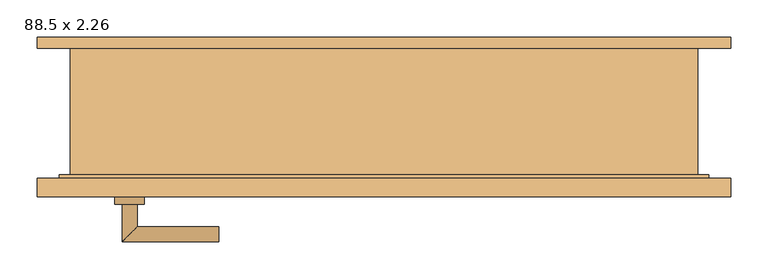
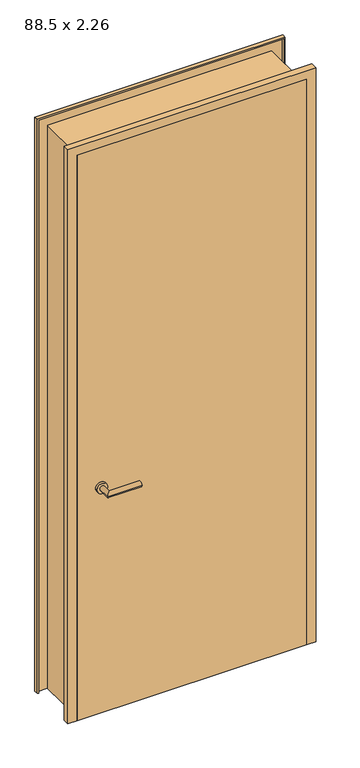
"""IFC4 building model written with IfcOpenShell, lengths in millimetres: door geometry, 88.5 x 2.26."""

from ifc_helpers import new_model, si_unit, point, frame, frame_2d, origin, origin_with_axes, place, context, project, spatial, polyline, circle_curve, ellipse_curve, trimmed, segment, composite_curve, outline, extrude, faceted_brep, source, transform, mapped, element, save
from ifc_brep_helpers import plane_surface, cylinder_surface, advanced_brep


def door_88_5_x_2_26_192bd5f8(model_context):
    return source(origin(), model_context, "Body", "SolidModel", [
        advanced_brep(
        [(-332.5, -91.9346141, 900.0), (-352.5, -91.9346141, 900.0), (-352.5, -41.9346141, 900.0), (-332.5, -61.9346141, 900.0), (-222.5, -61.9346141, 900.0), (-222.5, -41.9346141, 900.0)],
        [
            (0, 1, circle_curve(frame((-342.5, -91.9346141, 900.0), z_axis=(0.0, -1.0, 0.0), x_axis=(-1.0, 0.0, 0.0)), 10.0)),
            (1, 0, circle_curve(frame((-342.5, -91.9346141, 900.0), z_axis=(0.0, -1.0, 0.0), x_axis=(-1.0, 0.0, 0.0)), 10.0)),
            (1, 2),
            (2, 3, ellipse_curve(frame((-342.5, -51.9346141, 900.0), z_axis=(-0.7071067811865686, -0.7071067811865265, 0.0), x_axis=(0.7071067811865264, -0.7071067811865687, 0.0)), 14.1421356, 10.0)),
            (3, 0),
            (3, 2, ellipse_curve(frame((-342.5, -51.9346141, 900.0), z_axis=(-0.7071067811865686, -0.7071067811865265, 0.0), x_axis=(0.7071067811865264, -0.7071067811865687, 0.0)), 14.1421356, 10.0)),
            (4, 5, circle_curve(frame((-222.5, -51.9346141, 900.0), z_axis=(1.0, 0.0, 0.0), x_axis=(0.0, 1.0, 0.0)), 10.0)),
            (5, 4, circle_curve(frame((-222.5, -51.9346141, 900.0), z_axis=(1.0, 0.0, 0.0), x_axis=(0.0, 1.0, 0.0)), 10.0)),
            (2, 5),
            (4, 3),
        ],
        [
            plane_surface(frame((-342.5, -91.9346141, -387.7526403), z_axis=(0.0, -1.0, 0.0), x_axis=(0.0, 0.0, 1.0))),
            cylinder_surface(frame((-342.5, -91.9346141, 900.0), z_axis=(0.0, -1.0, 0.0), x_axis=(-1.0, 0.0, 0.0)), 10.0),
            plane_surface(frame((-222.5, -51.9346141, -387.7526403), z_axis=(1.0, 0.0, 0.0), x_axis=(0.0, 0.0, 1.0))),
            cylinder_surface(frame((-342.5, -51.9346141, 900.0), z_axis=(-1.0, 0.0, 0.0), x_axis=(0.0, 1.0, 0.0)), 10.0),
        ],
        [
            (0, [[1, 2]]),
            (1, [[3, 4, 5, -2]]),
            (1, [[-5, 6, -3, -1]]),
            (2, [[7, 8]]),
            (3, [[9, -7, 10, -4]]),
            (3, [[-10, -8, -9, -6]]),
        ],
    ),
        advanced_brep(
        [(-332.5, -136.9346141, 900.0), (-352.5, -136.9346141, 900.0), (-352.5, -186.9346141, 900.0), (-332.5, -166.9346141, 900.0), (-222.5, -166.9346141, 900.0), (-222.5, -186.9346141, 900.0)],
        [
            (0, 1, circle_curve(frame((-342.5, -136.9346141, 900.0), z_axis=(0.0, 1.0, 0.0), x_axis=(-1.0, 0.0, 0.0)), 10.0)),
            (1, 0, circle_curve(frame((-342.5, -136.9346141, 900.0), z_axis=(0.0, 1.0, 0.0), x_axis=(-1.0, 0.0, 0.0)), 10.0)),
            (1, 2),
            (2, 3, ellipse_curve(frame((-342.5, -176.9346141, 900.0), z_axis=(-0.7071067811865486, 0.7071067811865464, 0.0), x_axis=(0.7071067811865464, 0.7071067811865488, 0.0)), 14.1421356, 10.0)),
            (3, 0),
            (3, 2, ellipse_curve(frame((-342.5, -176.9346141, 900.0), z_axis=(-0.7071067811865486, 0.7071067811865464, 0.0), x_axis=(0.7071067811865464, 0.7071067811865488, 0.0)), 14.1421356, 10.0)),
            (4, 5, circle_curve(frame((-222.5, -176.9346141, 900.0), z_axis=(1.0, 0.0, 0.0), x_axis=(0.0, -1.0, 0.0)), 10.0)),
            (5, 4, circle_curve(frame((-222.5, -176.9346141, 900.0), z_axis=(1.0, 0.0, 0.0), x_axis=(0.0, -1.0, 0.0)), 10.0)),
            (2, 5),
            (4, 3),
        ],
        [
            plane_surface(frame((-342.5, -136.9346141, -387.7526403), z_axis=(0.0, 1.0, 0.0), x_axis=(0.0, 0.0, 1.0))),
            cylinder_surface(frame((-342.5, -136.9346141, 900.0), z_axis=(0.0, 1.0, 0.0), x_axis=(-1.0, 0.0, 0.0)), 10.0),
            plane_surface(frame((-222.5, -176.9346141, -387.7526403), z_axis=(1.0, 0.0, 0.0), x_axis=(0.0, 0.0, 1.0))),
            cylinder_surface(frame((-342.5, -176.9346141, 900.0), z_axis=(-1.0, 0.0, 0.0), x_axis=(0.0, -1.0, 0.0)), 10.0),
        ],
        [
            (0, [[1, 2]]),
            (1, [[3, 4, 5, -2]]),
            (1, [[-5, 6, -3, -1]]),
            (2, [[7, 8]]),
            (3, [[9, -7, 10, -4]]),
            (3, [[-10, -8, -9, -6]]),
        ],
    ),
        extrude(outline(composite_curve([segment(trimmed(circle_curve(frame_2d((900.0, -342.5)), 20.0), [point((900.0, -322.5))], [point((900.0, -362.5))], False, "CARTESIAN"), True, "CONTINUOUS"), segment(trimmed(circle_curve(frame_2d((900.0, -342.5)), 20.0), [point((900.0, -362.5))], [point((900.0, -322.5))], False, "CARTESIAN"), True, "CONTINUOUS")], self_intersect=False)), frame((0.0, -101.9346141, 0.0), z_axis=(0.0, 1.0, 0.0), x_axis=(0.0, 0.0, 1.0)), (0.0, 0.0, 1.0), 10.0),
        extrude(outline(composite_curve([segment(trimmed(circle_curve(frame_2d((900.0, -342.5)), 20.0), [point((900.0, -322.5))], [point((900.0, -362.5))], False, "CARTESIAN"), True, "CONTINUOUS"), segment(trimmed(circle_curve(frame_2d((900.0, -342.5)), 20.0), [point((900.0, -362.5))], [point((900.0, -322.5))], False, "CARTESIAN"), True, "CONTINUOUS")], self_intersect=False)), frame((0.0, -136.9346141, 0.0), z_axis=(0.0, 1.0, 0.0), x_axis=(0.0, 0.0, 1.0)), (0.0, 0.0, 1.0), 10.0),
        extrude(outline(polyline([(432.5, -101.9346141), (432.5, -126.9346141), (-432.5, -126.9346141), (-432.5, -101.9346141), (432.5, -101.9346141)])), origin_with_axes(), (0.0, 0.0, 1.0), 2250.0),
        faceted_brep([(466.9603207, 88.0653859, 0.0), (466.9603207, 73.0653859, 0.0), (461.9603207, 73.0653859, 0.0), (461.9603207, 83.0653859, 0.0), (422.5, 83.0653859, 0.0), (422.5, -96.9346141, 0.0), (437.5, -96.9346141, 0.0), (437.5, -121.9346141, 0.0), (461.9603207, -121.9346141, 0.0), (461.9603207, -101.9346141, 0.0), (466.9603207, -101.9346141, 0.0), (466.9603207, -126.9346141, 0.0), (432.5, -126.9346141, 0.0), (432.5, -101.9346141, 0.0), (417.5, -101.9346141, 0.0), (417.5, 88.0653859, 0.0), (417.5, 88.0653859, 2235.0), (-417.5, 88.0653859, 2235.0), (-417.5, 88.0653859, 0.0), (-466.9603207, 88.0653859, 0.0), (-466.9603207, 88.0653859, 2284.4603207), (466.9603207, 88.0653859, 2284.4603207), (417.5, -101.9346141, 2235.0), (432.5, -101.9346141, 2250.0), (-432.5, -101.9346141, 2250.0), (-432.5, -101.9346141, 0.0), (-417.5, -101.9346141, 0.0), (-417.5, -101.9346141, 2235.0), (432.5, -126.9346141, 2250.0), (466.9603207, -126.9346141, 2284.4603207), (-466.9603207, -126.9346141, 2284.4603207), (-466.9603207, -126.9346141, 0.0), (-432.5, -126.9346141, 0.0), (-432.5, -126.9346141, 2250.0), (466.9603207, -101.9346141, 2284.4603207), (461.9603207, -101.9346141, 2279.4603207), (-461.9603207, -101.9346141, 2279.4603207), (-461.9603207, -101.9346141, 0.0), (-466.9603207, -101.9346141, 0.0), (-466.9603207, -101.9346141, 2284.4603207), (461.9603207, -121.9346141, 2279.4603207), (437.5, -121.9346141, 2255.0), (-437.5, -121.9346141, 2255.0), (-437.5, -121.9346141, 0.0), (-461.9603207, -121.9346141, 0.0), (-461.9603207, -121.9346141, 2279.4603207), (437.5, -96.9346141, 2255.0), (422.5, -96.9346141, 2240.0), (-422.5, -96.9346141, 2240.0), (-422.5, -96.9346141, 0.0), (-437.5, -96.9346141, 0.0), (-437.5, -96.9346141, 2255.0), (422.5, 83.0653859, 2240.0), (461.9603207, 83.0653859, 2279.4603207), (-461.9603207, 83.0653859, 2279.4603207), (-461.9603207, 83.0653859, 0.0), (-422.5, 83.0653859, 0.0), (-422.5, 83.0653859, 2240.0), (461.9603207, 73.0653859, 2279.4603207), (466.9603207, 73.0653859, 2284.4603207), (-466.9603207, 73.0653859, 2284.4603207), (-466.9603207, 73.0653859, 0.0), (-461.9603207, 73.0653859, 0.0), (-461.9603207, 73.0653859, 2279.4603207)], [[[0, 1, 2, 3, 4, 5, 6, 7, 8, 9, 10, 11, 12, 13, 14, 15]], [[15, 16, 17, 18, 19, 20, 21, 0]], [[14, 22, 16, 15]], [[13, 23, 24, 25, 26, 27, 22, 14]], [[12, 28, 23, 13]], [[11, 29, 30, 31, 32, 33, 28, 12]], [[10, 34, 29, 11]], [[9, 35, 36, 37, 38, 39, 34, 10]], [[8, 40, 35, 9]], [[7, 41, 42, 43, 44, 45, 40, 8]], [[6, 46, 41, 7]], [[5, 47, 48, 49, 50, 51, 46, 6]], [[4, 52, 47, 5]], [[3, 53, 54, 55, 56, 57, 52, 4]], [[2, 58, 53, 3]], [[1, 59, 60, 61, 62, 63, 58, 2]], [[0, 21, 59, 1]], [[22, 27, 17, 16]], [[28, 33, 24, 23]], [[34, 39, 30, 29]], [[40, 45, 36, 35]], [[46, 51, 42, 41]], [[52, 57, 48, 47]], [[58, 63, 54, 53]], [[21, 20, 60, 59]], [[19, 18, 26, 25, 32, 31, 38, 37, 44, 43, 50, 49, 56, 55, 62, 61]], [[27, 26, 18, 17]], [[33, 32, 25, 24]], [[39, 38, 31, 30]], [[45, 44, 37, 36]], [[51, 50, 43, 42]], [[57, 56, 49, 48]], [[63, 62, 55, 54]], [[20, 19, 61, 60]]]),
    ])


if __name__ == "__main__":
    model = new_model("IFC4")
    model_context = context("Model", 3, world=origin())
    ifc_project = project(units=[si_unit("LENGTHUNIT", "METRE", prefix="MILLI")], contexts=[model_context])
    site = spatial("IfcSite", under=ifc_project)
    building = spatial("IfcBuilding", under=site)
    placement = place(None, origin())
    door_88_5_x_2_26_shape = door_88_5_x_2_26_192bd5f8(model_context)
    element("IfcDoor", 1, ObjectType="88.5 x 2.26", at=placement, inside=building, context=model_context, shape_type="MappedRepresentation", body=[
        mapped(door_88_5_x_2_26_shape, transform((0.0, 0.0, 0.0), x_axis=(1.0, 0.0, 0.0), y_axis=(0.0, 1.0, 0.0), z_axis=(0.0, 0.0, 1.0))),
    ])
    save(model, "model.ifc")
